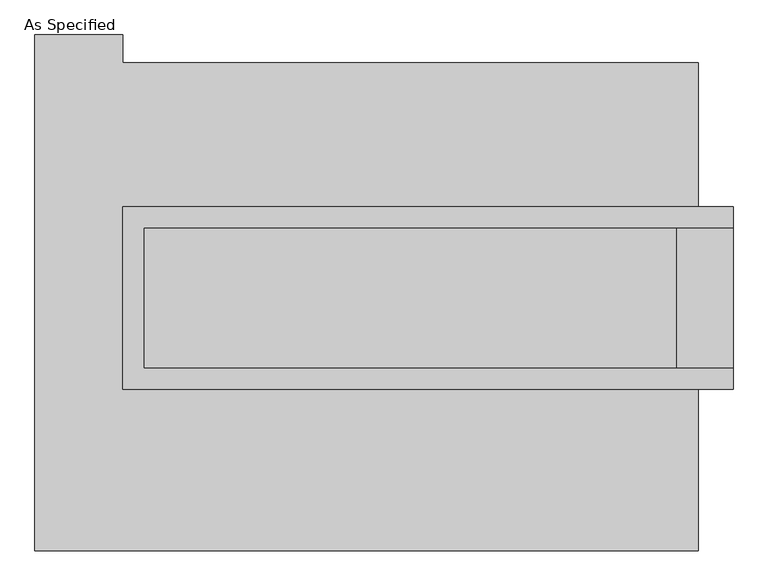
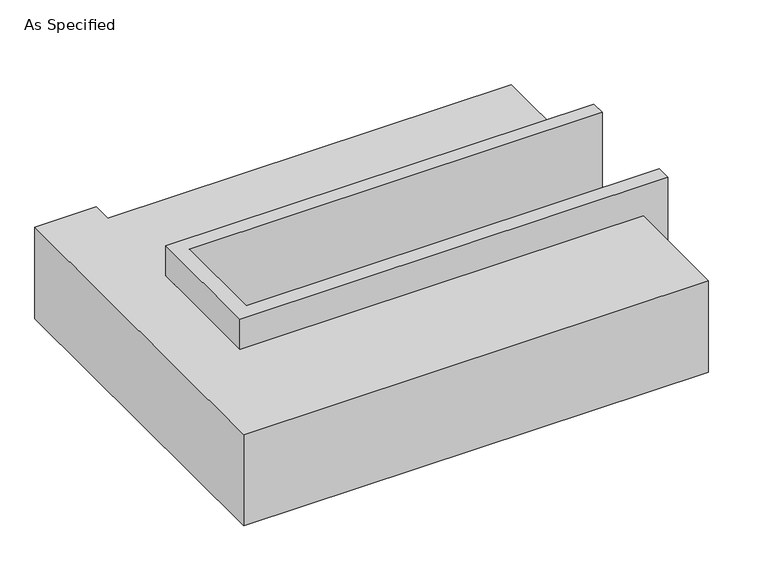
"""IFC4 building model written with IfcOpenShell, lengths in millimetres: proxy geometry, As Specified."""

from ifc_helpers import new_model, si_unit, origin, place, context, project, spatial, faceted_brep, source, transform, mapped, element, save


def as_specified_ddbc04dc(model_context):
    return source(origin(), model_context, "Body", "Brep", [
        faceted_brep([(-958.85, 361.95, 139.7), (-958.85, 361.95, -393.7), (-958.85, 285.75, -393.7), (-958.85, 285.75, -25.4), (-958.85, -222.25, -25.4), (-958.85, -222.25, -393.7), (-958.85, -298.45, -393.7), (-958.85, -298.45, 139.7), (1250.95, 285.75, 139.7), (1250.95, 285.75, -317.5), (1250.95, -222.25, -317.5), (1250.95, -222.25, 139.7), (1250.95, -298.45, 139.7), (1250.95, -298.45, -393.7), (1250.95, 361.95, -393.7), (1250.95, 361.95, 139.7), (-882.65, -222.25, 139.7), (-882.65, 285.75, 139.7), (1047.75, -222.25, -393.7), (1047.75, 285.75, -393.7), (1047.75, -222.25, -317.5), (-882.65, -222.25, -25.4), (1047.75, 285.75, -317.5), (-882.65, 285.75, -25.4)], [[[0, 1, 2, 3, 4, 5, 6, 7]], [[8, 9, 10, 11, 12, 13, 14, 15]], [[0, 7, 12, 11, 16, 17, 8, 15]], [[1, 0, 15, 14]], [[14, 13, 6, 5, 18, 19, 2, 1]], [[7, 6, 13, 12]], [[11, 10, 20, 18, 5, 4, 21, 16]], [[10, 9, 22, 20]], [[9, 8, 17, 23, 3, 2, 19, 22]], [[18, 20, 22, 19]], [[23, 21, 4, 3]], [[17, 16, 21, 23]]]),
        faceted_brep([(1123.95, -882.65, -523.9742188), (-1276.35, -882.65, -523.9742188), (-1276.35, 984.25, -523.9742188), (-958.85, 984.25, -523.9742188), (-958.85, 882.65, -523.9742188), (1123.95, 882.65, -523.9742188), (-1276.35, -882.65, -25.4), (1123.95, -882.65, -25.4), (1123.95, -298.45, -25.4), (-958.85, -298.45, -25.4), (-958.85, 361.95, -25.4), (1123.95, 361.95, -25.4), (1123.95, 882.65, -25.4), (-958.85, 882.65, -25.4), (-958.85, 984.25, -25.4), (-1276.35, 984.25, -25.4), (1123.95, 361.95, -393.7), (1123.95, -298.45, -393.7), (-958.85, -298.45, -393.7), (-958.85, 361.95, -393.7)], [[[0, 1, 2, 3, 4, 5]], [[6, 7, 8, 9, 10, 11, 12, 13, 14, 15]], [[12, 5, 4, 13]], [[2, 1, 6, 15]], [[5, 12, 11, 16, 17, 8, 7, 0]], [[1, 0, 7, 6]], [[18, 19, 10, 9]], [[10, 19, 16, 11]], [[19, 18, 17, 16]], [[18, 9, 8, 17]], [[3, 2, 15, 14]], [[4, 3, 14, 13]]]),
    ])


if __name__ == "__main__":
    model = new_model("IFC4")
    model_context = context("Model", 3, world=origin())
    ifc_project = project(units=[si_unit("LENGTHUNIT", "METRE", prefix="MILLI")], contexts=[model_context])
    site = spatial("IfcSite", under=ifc_project)
    building = spatial("IfcBuilding", under=site)
    placement = place(None, origin())
    as_specified_shape = as_specified_ddbc04dc(model_context)
    element("IfcBuildingElementProxy", 1, Name="As Specified", ObjectType="As Specified", at=placement, inside=building, context=model_context, shape_type="MappedRepresentation", body=[
        mapped(as_specified_shape, transform((0.0, 0.0, 0.0), x_axis=(1.0, 0.0, 0.0), y_axis=(0.0, 1.0, 0.0), z_axis=(0.0, 0.0, 1.0))),
    ])
    save(model, "model.ifc")
